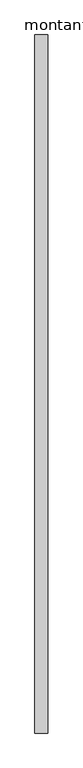
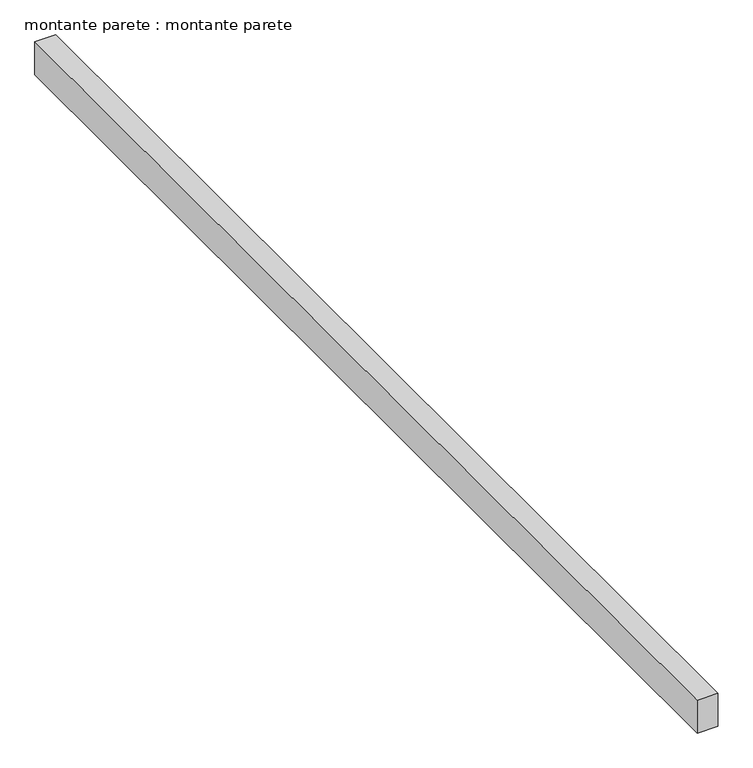
"""IFC4 building model written with IfcOpenShell, lengths in millimetres: proxy geometry, montante parete : montante parete."""

from ifc_helpers import new_model, si_unit, origin, origin_with_axes, place, context, project, spatial, polyline, outline, extrude, source, transform, mapped, element, save


def montante_parete_montante_parete_482e2bc0(model_context):
    return source(origin(), model_context, "Body", "SweptSolid", [
        extrude(outline(polyline([(30.0, -1136.5382366), (-30.0, -1136.5382366), (-30.0, 2163.4617634), (30.0, 2163.4617634), (30.0, -1136.5382366)])), origin_with_axes(), (0.0, 0.0, 1.0), 100.0),
    ])


if __name__ == "__main__":
    model = new_model("IFC4")
    model_context = context("Model", 3, world=origin())
    ifc_project = project(units=[si_unit("LENGTHUNIT", "METRE", prefix="MILLI")], contexts=[model_context])
    site = spatial("IfcSite", under=ifc_project)
    building = spatial("IfcBuilding", under=site)
    placement = place(None, origin())
    montante_parete_montante_parete_shape = montante_parete_montante_parete_482e2bc0(model_context)
    element("IfcBuildingElementProxy", 1, Name="montante parete : montante parete", ObjectType="montante parete : montante parete", at=placement, inside=building, context=model_context, shape_type="MappedRepresentation", body=[
        mapped(montante_parete_montante_parete_shape, transform((0.0, 0.0, 0.0), x_axis=(1.0, 0.0, 0.0), y_axis=(0.0, 1.0, 0.0), z_axis=(0.0, 0.0, 1.0))),
    ])
    save(model, "model.ifc")
